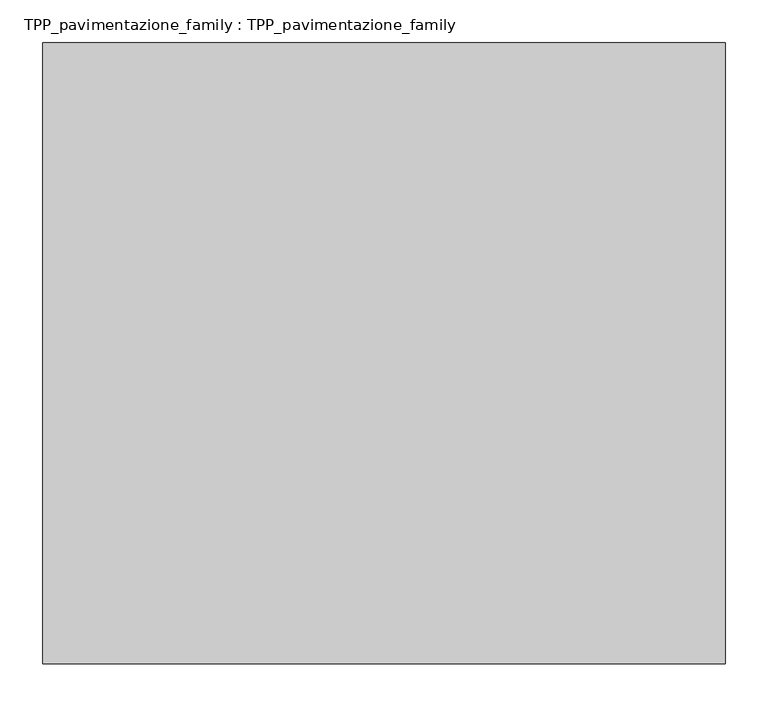
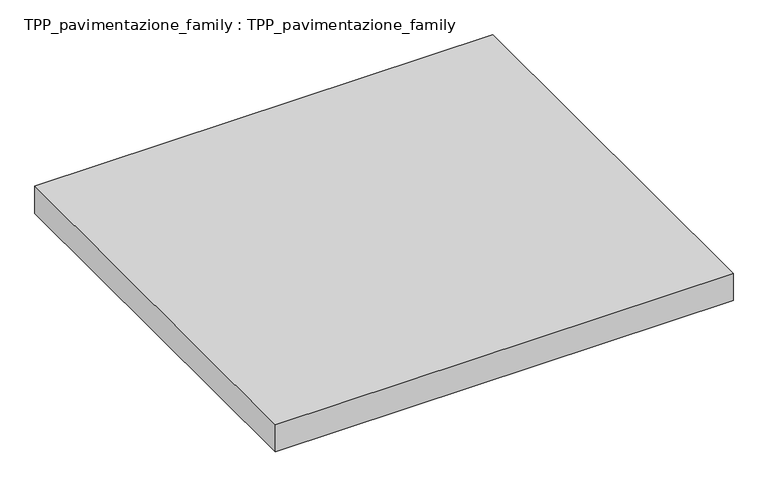
"""IFC4 building model written with IfcOpenShell, lengths in millimetres: proxy geometry, TPP_pavimentazione_family : TPP_pavimentazione_family."""

from ifc_helpers import new_model, si_unit, origin, origin_with_axes, place, context, project, spatial, polyline, outline, extrude, source, transform, mapped, element, save


def tpp_pavimentazione_family_tpp_pavimentazione_family_fdd6dbfe(model_context):
    return source(origin(), model_context, "Body", "SweptSolid", [
        extrude(outline(polyline([(511.8146187, 354.2201026), (511.8146187, -373.7865285), (-288.1853813, -373.7865285), (-288.1853813, 354.2201026), (511.8146187, 354.2201026)])), origin_with_axes(), (0.0, 0.0, 1.0), 50.0),
    ])


if __name__ == "__main__":
    model = new_model("IFC4")
    model_context = context("Model", 3, world=origin())
    ifc_project = project(units=[si_unit("LENGTHUNIT", "METRE", prefix="MILLI")], contexts=[model_context])
    site = spatial("IfcSite", under=ifc_project)
    building = spatial("IfcBuilding", under=site)
    placement = place(None, origin())
    tpp_pavimentazione_family_tpp_pavimentazione_family_shape = tpp_pavimentazione_family_tpp_pavimentazione_family_fdd6dbfe(model_context)
    element("IfcBuildingElementProxy", 1, Name="TPP_pavimentazione_family : TPP_pavimentazione_family", ObjectType="TPP_pavimentazione_family : TPP_pavimentazione_family", at=placement, inside=building, context=model_context, shape_type="MappedRepresentation", body=[
        mapped(tpp_pavimentazione_family_tpp_pavimentazione_family_shape, transform((0.0, 0.0, 0.0), x_axis=(1.0, 0.0, 0.0), y_axis=(0.0, 1.0, 0.0), z_axis=(0.0, 0.0, 1.0))),
    ])
    save(model, "model.ifc")
